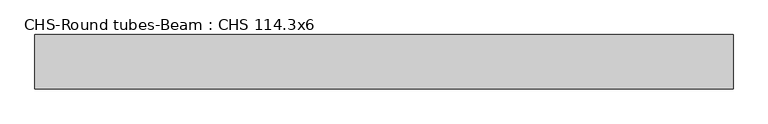
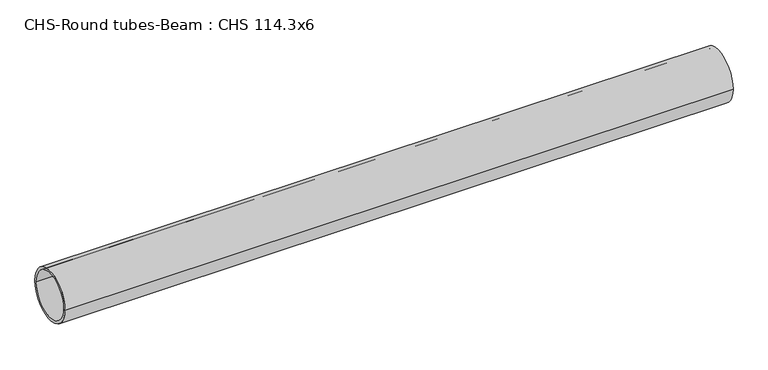
"""IFC4 building model written with IfcOpenShell, lengths in millimetres: beam geometry, CHS-Round tubes-Beam : CHS 114.3x6."""

from ifc_helpers import new_model, si_unit, point, frame, origin, origin_2d, place, context, project, spatial, circle_curve, trimmed, segment, composite_curve, outline, extrude, source, transform, mapped, element, save


def chs_round_tubes_beam_chs_114_3x6_73664c94(model_context):
    return source(origin(), model_context, "Body", "SweptSolid", [
        extrude(outline(composite_curve([segment(trimmed(circle_curve(origin_2d(), 57.15), [point((57.15, 0.0))], [point((-57.15, 0.0))], False, "CARTESIAN"), True, "CONTINUOUS"), segment(trimmed(circle_curve(origin_2d(), 57.15), [point((-57.15, 0.0))], [point((57.15, 0.0))], False, "CARTESIAN"), True, "CONTINUOUS")], self_intersect=False), holes=[composite_curve([segment(trimmed(circle_curve(origin_2d(), 51.15), [point((51.15, 0.0))], [point((-51.15, 0.0))], True, "CARTESIAN"), True, "CONTINUOUS"), segment(trimmed(circle_curve(origin_2d(), 51.15), [point((-51.15, 0.0))], [point((51.15, 0.0))], True, "CARTESIAN"), True, "CONTINUOUS")], self_intersect=False)]), frame((-702.9230994, 0.0, 0.0), z_axis=(1.0, 0.0, 0.0), x_axis=(0.0, 1.0, 0.0)), (0.0, 0.0, 1.0), 1470.3131195),
    ])


if __name__ == "__main__":
    model = new_model("IFC4")
    model_context = context("Model", 3, world=origin())
    ifc_project = project(units=[si_unit("LENGTHUNIT", "METRE", prefix="MILLI")], contexts=[model_context])
    site = spatial("IfcSite", under=ifc_project)
    building = spatial("IfcBuilding", under=site)
    placement = place(None, origin())
    chs_round_tubes_beam_chs_114_3x6_shape = chs_round_tubes_beam_chs_114_3x6_73664c94(model_context)
    element("IfcBeam", 1, ObjectType="CHS-Round tubes-Beam : CHS 114.3x6", at=placement, inside=building, context=model_context, shape_type="MappedRepresentation", body=[
        mapped(chs_round_tubes_beam_chs_114_3x6_shape, transform((0.0, 0.0, 0.0), x_axis=(1.0, 0.0, 0.0), y_axis=(0.0, 1.0, 0.0), z_axis=(0.0, 0.0, 1.0))),
    ])
    save(model, "model.ifc")
